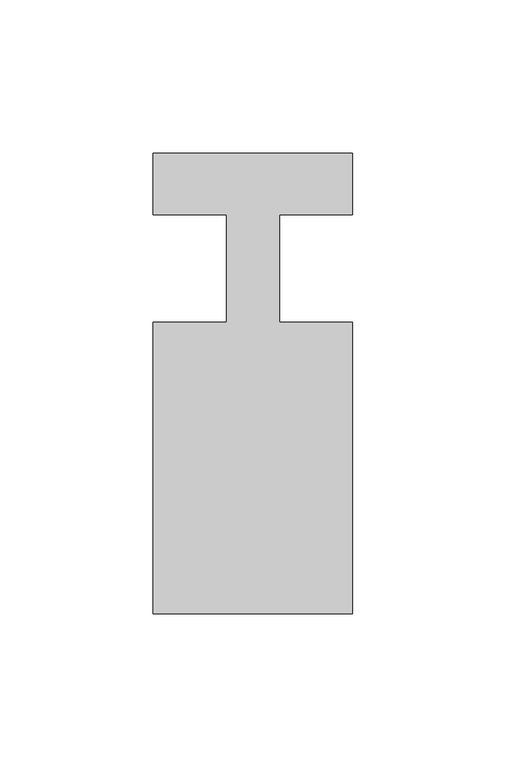
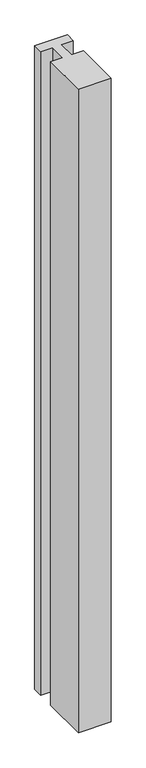
"""IFC4 building model written with IfcOpenShell, lengths in millimetres: member geometry."""

from ifc_helpers import new_model, si_unit, frame, origin, place, context, project, spatial, polyline, outline, extrude, source, transform, mapped, element, save


def member_3829f7c7(model_context):
    return source(origin(), model_context, "Body", "SweptSolid", [
        extrude(outline(polyline([(-65.0, 37.0), (0.0, 37.0), (0.0, 17.0), (-23.8125, 17.0), (-23.8125, -18.0), (0.0, -18.0), (0.0, -113.0), (-65.0, -113.0), (-65.0, -18.0), (-41.1875, -18.0), (-41.1875, 17.0), (-65.0, 17.0), (-65.0, 37.0)])), frame((0.0, 0.0, -1352.5), z_axis=(0.0, 0.0, 1.0), x_axis=(1.0, 0.0, 0.0)), (0.0, 0.0, 1.0), 1352.5),
    ])


if __name__ == "__main__":
    model = new_model("IFC4")
    model_context = context("Model", 3, world=origin())
    ifc_project = project(units=[si_unit("LENGTHUNIT", "METRE", prefix="MILLI")], contexts=[model_context])
    site = spatial("IfcSite", under=ifc_project)
    building = spatial("IfcBuilding", under=site)
    placement = place(None, origin())
    member_shape = member_3829f7c7(model_context)
    element("IfcMember", 1, at=placement, inside=building, context=model_context, shape_type="MappedRepresentation", body=[
        mapped(member_shape, transform((0.0, 0.0, 0.0), x_axis=(1.0, 0.0, 0.0), y_axis=(0.0, 1.0, 0.0), z_axis=(0.0, 0.0, 1.0))),
    ])
    save(model, "model.ifc")
